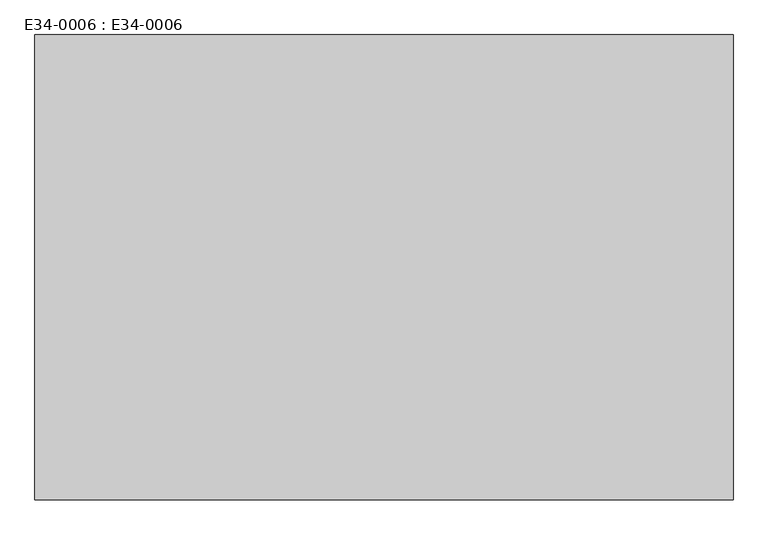
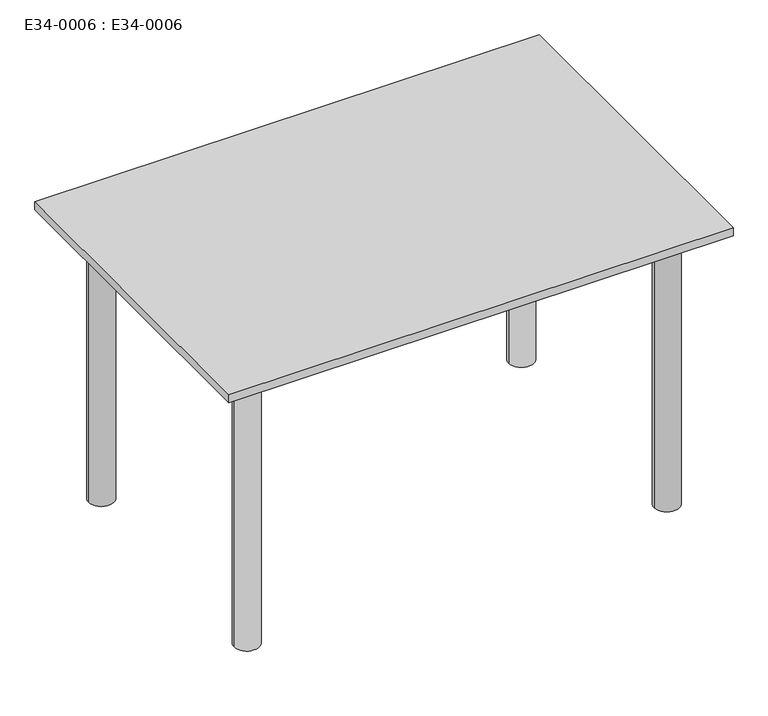
"""IFC4 building model written with IfcOpenShell, lengths in millimetres: furniture geometry, E34-0006 : E34-0006."""

from ifc_helpers import new_model, si_unit, point, frame, frame_2d, origin, origin_with_axes, place, context, project, spatial, polyline, circle_curve, trimmed, segment, composite_curve, outline, extrude, source, transform, mapped, element, save


def e34_0006_e34_0006_40698028(model_context):
    return source(origin(), model_context, "Body", "SweptSolid", [
        extrude(outline(composite_curve([segment(trimmed(circle_curve(frame_2d((1100.0, 700.0)), 30.0), [point((1070.0, 700.0))], [point((1130.0, 700.0))], False, "CARTESIAN"), True, "CONTINUOUS"), segment(trimmed(circle_curve(frame_2d((1100.0, 700.0)), 30.0), [point((1130.0, 700.0))], [point((1070.0, 700.0))], False, "CARTESIAN"), True, "CONTINUOUS")], self_intersect=False)), origin_with_axes(), (0.0, 0.0, 1.0), 700.0),
        extrude(outline(composite_curve([segment(trimmed(circle_curve(frame_2d((1100.0, 100.0)), 30.0), [point((1130.0, 100.0))], [point((1070.0, 100.0))], False, "CARTESIAN"), True, "CONTINUOUS"), segment(trimmed(circle_curve(frame_2d((1100.0, 100.0)), 30.0), [point((1070.0, 100.0))], [point((1130.0, 100.0))], False, "CARTESIAN"), True, "CONTINUOUS")], self_intersect=False)), origin_with_axes(), (0.0, 0.0, 1.0), 700.0),
        extrude(outline(composite_curve([segment(trimmed(circle_curve(frame_2d((100.0, 100.0)), 30.0), [point((130.0, 100.0))], [point((70.0, 100.0))], False, "CARTESIAN"), True, "CONTINUOUS"), segment(trimmed(circle_curve(frame_2d((100.0, 100.0)), 30.0), [point((70.0, 100.0))], [point((130.0, 100.0))], False, "CARTESIAN"), True, "CONTINUOUS")], self_intersect=False)), origin_with_axes(), (0.0, 0.0, 1.0), 700.0),
        extrude(outline(composite_curve([segment(trimmed(circle_curve(frame_2d((100.0, 700.0)), 30.0), [point((70.0, 700.0))], [point((130.0, 700.0))], False, "CARTESIAN"), True, "CONTINUOUS"), segment(trimmed(circle_curve(frame_2d((100.0, 700.0)), 30.0), [point((130.0, 700.0))], [point((70.0, 700.0))], False, "CARTESIAN"), True, "CONTINUOUS")], self_intersect=False)), origin_with_axes(), (0.0, 0.0, 1.0), 700.0),
        extrude(outline(polyline([(0.0, 800.0), (1200.0, 800.0), (1200.0, 0.0), (0.0, 0.0), (0.0, 800.0)])), frame((0.0, 0.0, 700.0), z_axis=(0.0, 0.0, 1.0), x_axis=(1.0, 0.0, 0.0)), (0.0, 0.0, 1.0), 20.0),
    ])


if __name__ == "__main__":
    model = new_model("IFC4")
    model_context = context("Model", 3, world=origin())
    ifc_project = project(units=[si_unit("LENGTHUNIT", "METRE", prefix="MILLI")], contexts=[model_context])
    site = spatial("IfcSite", under=ifc_project)
    building = spatial("IfcBuilding", under=site)
    placement = place(None, origin())
    e34_0006_e34_0006_shape = e34_0006_e34_0006_40698028(model_context)
    element("IfcFurniture", 1, ObjectType="E34-0006 : E34-0006", at=placement, inside=building, context=model_context, shape_type="MappedRepresentation", body=[
        mapped(e34_0006_e34_0006_shape, transform((0.0, 0.0, 0.0), x_axis=(1.0, 0.0, 0.0), y_axis=(0.0, 1.0, 0.0), z_axis=(0.0, 0.0, 1.0))),
    ])
    save(model, "model.ifc")
